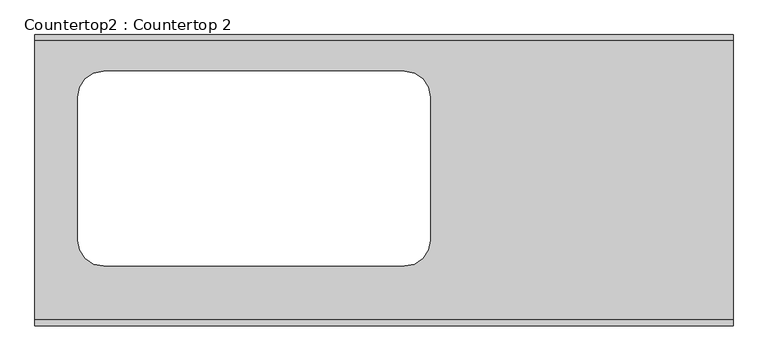
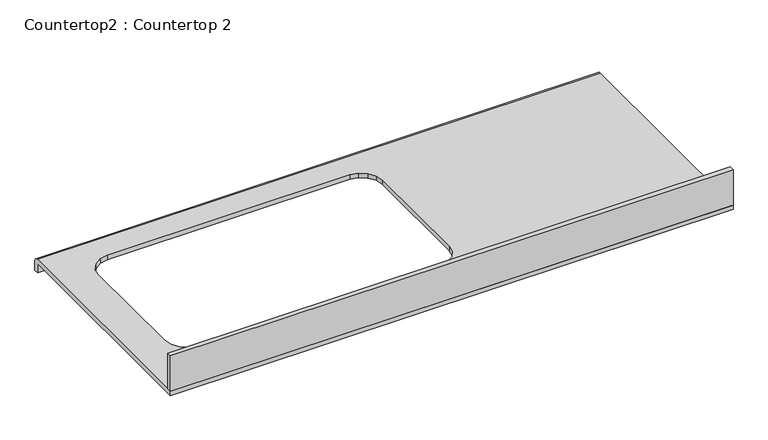
"""IFC4 building model written with IfcOpenShell, lengths in millimetres: proxy geometry, Countertop2 : Countertop 2."""

from ifc_helpers import new_model, si_unit, frame, origin, place, context, project, spatial, polyline, circle_curve, outline, extrude, source, transform, mapped, element, save
from ifc_brep_helpers import plane_surface, cylinder_surface, advanced_brep


def countertop2_countertop_2_d7d18a69(model_context):
    return source(origin(), model_context, "Body", "SolidModel", [
        extrude(outline(polyline([(1522.4646523, 0.0), (0.0, 0.0), (0.0, 12.7), (1522.4646523, 12.7), (1522.4646523, 0.0)])), frame((0.0, 0.0, 863.6), z_axis=(0.0, 0.0, 1.0), x_axis=(1.0, 0.0, 0.0)), (0.0, 0.0, 1.0), 101.6),
        advanced_brep(
        [(0.0, 622.3, 863.6), (0.0, 635.0, 850.9), (0.0, 635.0, 825.5), (0.0, 622.3, 825.5), (0.0, 622.3, 850.9), (0.0, 0.0, 850.9), (0.0, 0.0, 863.6), (1522.4646523, 622.3, 863.6), (1522.4646523, 0.0, 863.6), (1522.4646523, 0.0, 850.9), (1522.4646523, 622.3, 850.9), (1522.4646523, 622.3, 825.5), (1522.4646523, 635.0, 825.5), (1522.4646523, 635.0, 850.9), (110.1115769, 146.7254885, 863.6), (97.6960284, 165.3066, 863.6), (93.4607031, 186.5991802, 863.6), (93.4607031, 499.2540124, 863.6), (97.6960279, 520.5465625, 863.6), (110.1115749, 539.127729, 863.6), (128.6927366, 551.5432441, 863.6), (149.9852826, 555.7785959, 863.6), (805.5401253, 555.7785959, 863.6), (826.832618, 551.5432437, 863.6), (845.4138105, 539.1277271, 863.6), (857.8293012, 520.5465591, 863.6), (862.0646523, 499.2540165, 863.6), (862.0646523, 186.5991761, 863.6), (857.8293008, 165.3066034, 863.6), (845.4138086, 146.7254905, 863.6), (826.8326215, 134.3099489, 863.6), (805.5401253, 130.0745959, 863.6), (149.9852826, 130.0745959, 863.6), (128.6927331, 134.3099484, 863.6), (128.6927331, 134.3099484, 850.9), (149.9852826, 130.0745959, 850.9), (805.5401253, 130.0745959, 850.9), (826.8326215, 134.3099489, 850.9), (845.4138086, 146.7254905, 850.9), (857.8293008, 165.3066034, 850.9), (862.0646523, 186.5991761, 850.9), (862.0646523, 499.2540165, 850.9), (857.8293012, 520.5465591, 850.9), (845.4138105, 539.1277271, 850.9), (826.832618, 551.5432437, 850.9), (805.5401253, 555.7785959, 850.9), (149.9852826, 555.7785959, 850.9), (128.6927366, 551.5432441, 850.9), (110.1115749, 539.127729, 850.9), (97.6960279, 520.5465625, 850.9), (93.4607031, 499.2540124, 850.9), (93.4607031, 186.5991802, 850.9), (97.6960284, 165.3066, 850.9), (110.1115769, 146.7254885, 850.9)],
        [
            (0, 1, circle_curve(frame((0.0, 622.3, 850.9), z_axis=(-1.0, 0.0, 0.0), x_axis=(0.0, -1.0, 0.0)), 12.7)),
            (1, 2),
            (2, 3),
            (3, 4),
            (4, 5),
            (5, 6),
            (6, 0),
            (7, 8),
            (8, 9),
            (9, 10),
            (10, 11),
            (11, 12),
            (12, 13),
            (13, 7, circle_curve(frame((1522.4646523, 622.3, 850.9), z_axis=(1.0, 0.0, 0.0), x_axis=(0.0, -1.0, 0.0)), 12.7)),
            (6, 8),
            (7, 0),
            (14, 15),
            (15, 16),
            (16, 17),
            (17, 18),
            (18, 19),
            (19, 20),
            (20, 21),
            (21, 22),
            (22, 23),
            (23, 24),
            (24, 25),
            (25, 26),
            (26, 27),
            (27, 28),
            (28, 29),
            (29, 30),
            (30, 31),
            (31, 32),
            (32, 33),
            (33, 14),
            (5, 9),
            (4, 10),
            (34, 35),
            (35, 36),
            (36, 37),
            (37, 38),
            (38, 39),
            (39, 40),
            (40, 41),
            (41, 42),
            (42, 43),
            (43, 44),
            (44, 45),
            (45, 46),
            (46, 47),
            (47, 48),
            (48, 49),
            (49, 50),
            (50, 51),
            (51, 52),
            (52, 53),
            (53, 34),
            (3, 11),
            (2, 12),
            (1, 13),
            (53, 14),
            (33, 34),
            (52, 15),
            (51, 16),
            (50, 17),
            (49, 18),
            (48, 19),
            (47, 20),
            (46, 21),
            (45, 22),
            (44, 23),
            (43, 24),
            (42, 25),
            (41, 26),
            (40, 27),
            (39, 28),
            (38, 29),
            (37, 30),
            (36, 31),
            (35, 32),
        ],
        [
            plane_surface(frame((0.0, 0.0, 863.6), z_axis=(-1.0, 0.0, 0.0), x_axis=(0.0, 0.0, 1.0))),
            plane_surface(frame((1522.4646523, 0.0, 863.6), z_axis=(1.0, 0.0, 0.0), x_axis=(0.0, 0.0, 1.0))),
            plane_surface(frame((0.0, 622.3, 863.6), z_axis=(0.0, 0.0, 1.0), x_axis=(1.0, 0.0, 0.0))),
            plane_surface(frame((0.0, 0.0, 863.6), z_axis=(0.0, -1.0, 0.0), x_axis=(1.0, 0.0, 0.0))),
            plane_surface(frame((0.0, 0.0, 850.9), z_axis=(0.0, 0.0, -1.0), x_axis=(1.0, 0.0, 0.0))),
            plane_surface(frame((0.0, 622.3, 850.9), z_axis=(0.0, -1.0, 0.0), x_axis=(1.0, 0.0, 0.0))),
            plane_surface(frame((0.0, 622.3, 825.5), z_axis=(0.0, 0.0, -1.0), x_axis=(1.0, 0.0, 0.0))),
            plane_surface(frame((0.0, 635.0, 825.5), z_axis=(0.0, 1.0, 0.0), x_axis=(1.0, 0.0, 0.0))),
            cylinder_surface(frame((0.0, 622.3, 850.9), z_axis=(-1.0, 0.0, 0.0), x_axis=(0.0, -1.0, 0.0)), 12.7),
            plane_surface(frame((128.6927331, 134.3099484, 928.210099), z_axis=(0.5555704946525724, 0.8314694374849242, 0.0), x_axis=(0.0, 0.0, -1.0))),
            plane_surface(frame((110.1115769, 146.7254885, 928.210099), z_axis=(0.8314686464171007, 0.5555716785666045, 0.0), x_axis=(0.0, 0.0, -1.0))),
            plane_surface(frame((97.6960284, 165.3066, 928.210099), z_axis=(0.9807855650249105, 0.1950888911208609, 0.0), x_axis=(0.0, 0.0, -1.0))),
            plane_surface(frame((93.4607031, 186.5991802, 928.210099), z_axis=(1.0, 0.0, 0.0), x_axis=(0.0, 0.0, -1.0))),
            plane_surface(frame((93.4607031, 499.2540124, 928.210099), z_axis=(0.9807855162530112, -0.1950891363154654, 0.0), x_axis=(0.0, 0.0, -1.0))),
            plane_surface(frame((97.6960279, 520.5465625, 928.210099), z_axis=(0.831469437484925, -0.5555704946525712, 0.0), x_axis=(0.0, 0.0, -1.0))),
            plane_surface(frame((110.1115749, 539.127729, 928.210099), z_axis=(0.5555696087274231, -0.8314700294409042, 0.0), x_axis=(0.0, 0.0, -1.0))),
            plane_surface(frame((128.6927366, 551.5432441, 928.210099), z_axis=(0.1950903690008166, -0.9807852710573938, 0.0), x_axis=(0.0, 0.0, -1.0))),
            plane_surface(frame((149.9852826, 555.7785959, 928.210099), z_axis=(0.0, -1.0, 0.0), x_axis=(0.0, 0.0, -1.0))),
            plane_surface(frame((805.5401253, 555.7785959, 928.210099), z_axis=(-0.19509085939469806, -0.9807851735118339, 0.0), x_axis=(0.0, 0.0, -1.0))),
            plane_surface(frame((826.832618, 551.5432437, 928.210099), z_axis=(-0.5555690167719735, -0.8314704249719426, 0.0), x_axis=(0.0, 0.0, -1.0))),
            plane_surface(frame((845.4138105, 539.1277271, 928.210099), z_axis=(-0.8314706213967956, -0.555568722800363, 0.0), x_axis=(0.0, 0.0, -1.0))),
            plane_surface(frame((857.8293012, 520.5465591, 928.210099), z_axis=(-0.9807852710574041, -0.1950903690007643, 0.0), x_axis=(0.0, 0.0, -1.0))),
            plane_surface(frame((862.0646523, 499.2540165, 928.210099), z_axis=(-1.0, 0.0, 0.0), x_axis=(0.0, 0.0, -1.0))),
            plane_surface(frame((862.0646523, 186.5991761, 928.210099), z_axis=(-0.980785319829896, 0.195090123804791, 0.0), x_axis=(0.0, 0.0, -1.0))),
            plane_surface(frame((857.8293008, 165.3066034, 928.210099), z_axis=(-0.8314698303328886, 0.5555699067139954, 0.0), x_axis=(0.0, 0.0, -1.0))),
            plane_surface(frame((845.4138086, 146.7254905, 928.210099), z_axis=(-0.555569902697024, 0.8314698330169408, 0.0), x_axis=(0.0, 0.0, -1.0))),
            plane_surface(frame((826.8326215, 134.3099489, 928.210099), z_axis=(-0.1950908593946922, 0.9807851735118351, 0.0), x_axis=(0.0, 0.0, -1.0))),
            plane_surface(frame((805.5401253, 130.0745959, 928.210099), z_axis=(0.0, 1.0, 0.0), x_axis=(0.0, 0.0, -1.0))),
            plane_surface(frame((149.9852826, 130.0745959, 928.210099), z_axis=(0.19509036900082316, 0.9807852710573924, 0.0), x_axis=(0.0, 0.0, -1.0))),
        ],
        [
            (0, [[1, 2, 3, 4, 5, 6, 7]]),
            (1, [[8, 9, 10, 11, 12, 13, 14]]),
            (2, [[15, -8, 16, -7], [17, 18, 19, 20, 21, 22, 23, 24, 25, 26, 27, 28, 29, 30, 31, 32, 33, 34, 35, 36]]),
            (3, [[37, -9, -15, -6]]),
            (4, [[38, -10, -37, -5], [39, 40, 41, 42, 43, 44, 45, 46, 47, 48, 49, 50, 51, 52, 53, 54, 55, 56, 57, 58]]),
            (5, [[59, -11, -38, -4]]),
            (6, [[60, -12, -59, -3]]),
            (7, [[61, -13, -60, -2]]),
            (8, [[-16, -14, -61, -1]]),
            (9, [[-58, 62, -36, 63]]),
            (10, [[-57, 64, -17, -62]]),
            (11, [[-56, 65, -18, -64]]),
            (12, [[-55, 66, -19, -65]]),
            (13, [[-54, 67, -20, -66]]),
            (14, [[-53, 68, -21, -67]]),
            (15, [[-52, 69, -22, -68]]),
            (16, [[-51, 70, -23, -69]]),
            (17, [[-50, 71, -24, -70]]),
            (18, [[-49, 72, -25, -71]]),
            (19, [[-48, 73, -26, -72]]),
            (20, [[-47, 74, -27, -73]]),
            (21, [[-46, 75, -28, -74]]),
            (22, [[-45, 76, -29, -75]]),
            (23, [[-44, 77, -30, -76]]),
            (24, [[-43, 78, -31, -77]]),
            (25, [[-42, 79, -32, -78]]),
            (26, [[-41, 80, -33, -79]]),
            (27, [[-34, -80, -40, 81]]),
            (28, [[-35, -81, -39, -63]]),
        ],
    ),
    ])


if __name__ == "__main__":
    model = new_model("IFC4")
    model_context = context("Model", 3, world=origin())
    ifc_project = project(units=[si_unit("LENGTHUNIT", "METRE", prefix="MILLI")], contexts=[model_context])
    site = spatial("IfcSite", under=ifc_project)
    building = spatial("IfcBuilding", under=site)
    placement = place(None, origin())
    countertop2_countertop_2_shape = countertop2_countertop_2_d7d18a69(model_context)
    element("IfcBuildingElementProxy", 1, Name="Countertop2 : Countertop 2", ObjectType="Countertop2 : Countertop 2", at=placement, inside=building, context=model_context, shape_type="MappedRepresentation", body=[
        mapped(countertop2_countertop_2_shape, transform((0.0, 0.0, 0.0), x_axis=(1.0, 0.0, 0.0), y_axis=(0.0, 1.0, 0.0), z_axis=(0.0, 0.0, 1.0))),
    ])
    save(model, "model.ifc")
